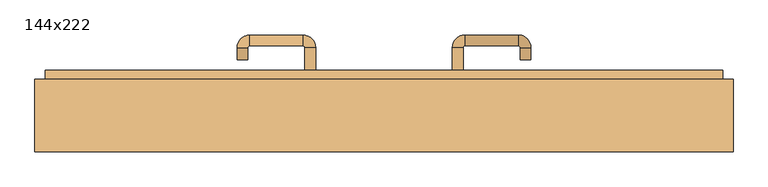
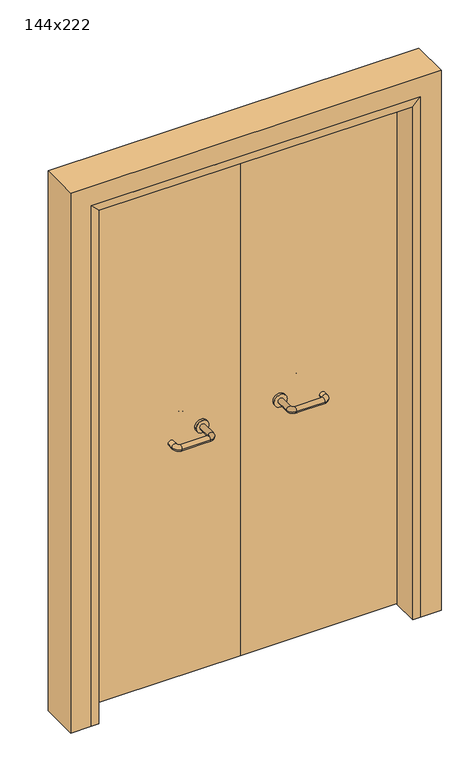
"""IFC4 building model written with IfcOpenShell, lengths in millimetres: door geometry, 144x222."""

from ifc_helpers import new_model, si_unit, point, frame, frame_2d, origin, place, context, project, spatial, polyline, circle_curve, ellipse_curve, trimmed, segment, composite_curve, outline, extrude, faceted_brep, source, transform, mapped, element, save
from ifc_brep_helpers import plane_surface, cylinder_surface, revolved_surface, advanced_brep


def door_144x222_6377ff8e(model_context):
    return source(origin(), model_context, "Body", "SolidModel", [
        faceted_brep([(-610.0, 118.0, 0.0), (-610.0, 15.0, 0.0), (-640.0, 15.0, 0.0), (-640.0, 118.0, 0.0), (-610.0, 118.0, 2110.0), (-610.0, 15.0, 2110.0), (-640.0, 15.0, 2140.0), (-640.0, 118.0, 2140.0), (610.0, 118.0, 0.0), (640.0, 118.0, 0.0), (640.0, 15.0, 0.0), (610.0, 15.0, 0.0), (610.0, 118.0, 2110.0), (640.0, 118.0, 2140.0), (640.0, 15.0, 2140.0), (610.0, 15.0, 2110.0)], [[[0, 1, 2, 3]], [[1, 0, 4, 5]], [[2, 1, 5, 6]], [[3, 2, 6, 7]], [[0, 3, 7, 4]], [[8, 9, 10, 11]], [[12, 13, 9, 8]], [[13, 14, 10, 9]], [[14, 15, 11, 10]], [[15, 12, 8, 11]], [[5, 4, 12, 15]], [[6, 5, 15, 14]], [[7, 6, 14, 13]], [[4, 7, 13, 12]]]),
        extrude(outline(polyline([(2199.0, 699.0), (2199.0, -699.0), (0.0, -699.0), (0.0, -655.0), (2155.0, -655.0), (2155.0, 655.0), (0.0, 655.0), (0.0, 699.0), (2199.0, 699.0)])), frame((0.0, 165.0, 0.0), z_axis=(0.0, 1.0, 0.0), x_axis=(0.0, 0.0, 1.0)), (0.0, 0.0, 1.0), 18.0),
        extrude(outline(polyline([(2220.0, -720.0), (0.0, -720.0), (0.0, -640.0), (2140.0, -640.0), (2140.0, 640.0), (0.0, 640.0), (0.0, 720.0), (2220.0, 720.0), (2220.0, -720.0)])), frame((0.0, 15.0, 0.0), z_axis=(0.0, 1.0, 0.0), x_axis=(0.0, 0.0, 1.0)), (0.0, 0.0, 1.0), 150.0),
        advanced_brep(
        [(140.99898, 111.0, 1003.0), (162.99898, 111.0, 1003.0), (140.99898, 55.6474631, 1003.0), (162.99898, 55.6474631, 1003.0), (166.99898, 51.6474631, 1003.0), (166.99898, 29.6474631, 1003.0), (276.99898, 29.6474631, 1003.0), (276.99898, 51.6474631, 1003.0), (280.99898, 55.6474631, 1003.0), (302.99898, 55.6474631, 1003.0), (302.99898, 73.0, 1003.0), (280.99898, 73.0, 1003.0)],
        [
            (0, 1, circle_curve(frame((151.99898, 111.0, 1003.0), z_axis=(0.0, 1.0, 0.0), x_axis=(1.0, 0.0, 0.0)), 11.0)),
            (1, 0, circle_curve(frame((151.99898, 111.0, 1003.0), z_axis=(0.0, 1.0, 0.0), x_axis=(1.0, 0.0, 0.0)), 11.0)),
            (0, 2),
            (2, 3, circle_curve(frame((151.99898, 55.6474631, 1003.0), z_axis=(0.0, 1.0, 0.0), x_axis=(1.0, 0.0, 0.0)), 11.0)),
            (3, 1),
            (3, 2, circle_curve(frame((151.99898, 55.6474631, 1003.0), z_axis=(0.0, 1.0, 0.0), x_axis=(1.0, 0.0, 0.0)), 11.0)),
            (4, 3, circle_curve(frame((166.99898, 55.6474631, 1003.0), z_axis=(0.0, 0.0, -1.0), x_axis=(-1.0, 0.0, 0.0)), 4.0)),
            (2, 5, circle_curve(frame((166.99898, 55.6474631, 1003.0), z_axis=(0.0, 0.0, 1.0), x_axis=(-1.0, 0.0, 0.0)), 26.0)),
            (5, 4, circle_curve(frame((166.99898, 40.6474631, 1003.0), z_axis=(-1.0, 0.0, 0.0), x_axis=(0.0, 1.0, 0.0)), 11.0)),
            (4, 5, circle_curve(frame((166.99898, 40.6474631, 1003.0), z_axis=(-1.0, 0.0, 0.0), x_axis=(0.0, 1.0, 0.0)), 11.0)),
            (5, 6),
            (6, 7, circle_curve(frame((276.99898, 40.6474631, 1003.0), z_axis=(-1.0, 0.0, 0.0), x_axis=(0.0, 1.0, 0.0)), 11.0)),
            (7, 4),
            (7, 6, circle_curve(frame((276.99898, 40.6474631, 1003.0), z_axis=(-1.0, 0.0, 0.0), x_axis=(0.0, 1.0, 0.0)), 11.0)),
            (8, 7, circle_curve(frame((276.99898, 55.6474631, 1003.0), z_axis=(0.0, 0.0, -1.0), x_axis=(0.0, -1.0, 0.0)), 4.0)),
            (6, 9, circle_curve(frame((276.99898, 55.6474631, 1003.0), z_axis=(0.0, 0.0, 1.0), x_axis=(0.0, -1.0, 0.0)), 26.0)),
            (9, 8, circle_curve(frame((291.99898, 55.6474631, 1003.0), z_axis=(0.0, -1.0, 0.0), x_axis=(-1.0, 0.0, 0.0)), 11.0)),
            (8, 9, circle_curve(frame((291.99898, 55.6474631, 1003.0), z_axis=(0.0, -1.0, 0.0), x_axis=(-1.0, 0.0, 0.0)), 11.0)),
            (10, 11, circle_curve(frame((291.99898, 73.0, 1003.0), z_axis=(0.0, 1.0, 0.0), x_axis=(-1.0, 0.0, 0.0)), 11.0)),
            (11, 10, circle_curve(frame((291.99898, 73.0, 1003.0), z_axis=(0.0, 1.0, 0.0), x_axis=(-1.0, 0.0, 0.0)), 11.0)),
            (9, 10),
            (11, 8),
        ],
        [
            plane_surface(frame((140.99898, 111.0, 1003.0), z_axis=(0.0, 1.0, 0.0), x_axis=(0.0, 0.0, -1.0))),
            cylinder_surface(frame((151.99898, 111.0, 1003.0), z_axis=(0.0, 1.0, 0.0), x_axis=(1.0, 0.0, 0.0)), 11.0),
            revolved_surface(trimmed(ellipse_curve(frame((151.99898, 55.6474631, 1003.0), z_axis=(0.0, 1.0, 0.0), x_axis=(1.0, 0.0, 0.0)), 11.0, 11.0), [point((140.99898, 55.6474631, 1003.0))], [point((162.99898, 55.6474631, 1003.0))], True, "CARTESIAN"), (166.99898, 55.6474631, 1003.0), (0.0, 0.0, 1.0)),
            revolved_surface(trimmed(ellipse_curve(frame((151.99898, 55.6474631, 1003.0), z_axis=(0.0, 1.0, 0.0), x_axis=(1.0, 0.0, 0.0)), 11.0, 11.0), [point((162.99898, 55.6474631, 1003.0))], [point((140.99898, 55.6474631, 1003.0))], True, "CARTESIAN"), (166.99898, 55.6474631, 1003.0), (0.0, 0.0, 1.0)),
            cylinder_surface(frame((166.99898, 40.6474631, 1003.0), z_axis=(-1.0, 0.0, 0.0), x_axis=(0.0, 1.0, 0.0)), 11.0),
            revolved_surface(trimmed(ellipse_curve(frame((276.99898, 40.6474631, 1003.0), z_axis=(-1.0, 0.0, 0.0), x_axis=(0.0, 1.0, 0.0)), 11.0, 11.0), [point((276.99898, 29.6474631, 1003.0))], [point((276.99898, 51.6474631, 1003.0))], True, "CARTESIAN"), (276.99898, 55.6474631, 1003.0), (0.0, 0.0, 1.0)),
            revolved_surface(trimmed(ellipse_curve(frame((276.99898, 40.6474631, 1003.0), z_axis=(-1.0, 0.0, 0.0), x_axis=(0.0, 1.0, 0.0)), 11.0, 11.0), [point((276.99898, 51.6474631, 1003.0))], [point((276.99898, 29.6474631, 1003.0))], True, "CARTESIAN"), (276.99898, 55.6474631, 1003.0), (0.0, 0.0, 1.0)),
            plane_surface(frame((280.99898, 73.0, 1003.0), z_axis=(0.0, 1.0, 0.0), x_axis=(0.0, 0.0, 1.0))),
            cylinder_surface(frame((291.99898, 55.6474631, 1003.0), z_axis=(0.0, -1.0, 0.0), x_axis=(-1.0, 0.0, 0.0)), 11.0),
        ],
        [
            (0, [[1, 2]]),
            (1, [[-1, 3, 4, 5]]),
            (1, [[-2, -5, 6, -3]]),
            (2, [[7, -4, 8, 9]]),
            (3, [[-8, -6, -7, 10]]),
            (4, [[-9, 11, 12, 13]]),
            (4, [[-10, -13, 14, -11]]),
            (5, [[15, -12, 16, 17]]),
            (6, [[-16, -14, -15, 18]]),
            (7, [[19, 20]]),
            (8, [[-17, 21, -20, 22]]),
            (8, [[-18, -22, -19, -21]]),
        ],
    ),
        extrude(outline(composite_curve([segment(trimmed(circle_curve(frame_2d((1003.0, 151.99898)), 25.0), [point((1003.0, 126.99898))], [point((1003.0, 176.99898))], False, "CARTESIAN"), True, "CONTINUOUS"), segment(trimmed(circle_curve(frame_2d((1003.0, 151.99898)), 25.0), [point((1003.0, 176.99898))], [point((1003.0, 126.99898))], False, "CARTESIAN"), True, "CONTINUOUS")], self_intersect=False)), frame((0.0, 111.0, 0.0), z_axis=(0.0, 1.0, 0.0), x_axis=(0.0, 0.0, 1.0)), (0.0, 0.0, 1.0), 10.0),
        advanced_brep(
        [(162.99898, 175.0, 1003.0), (140.99898, 175.0, 1003.0), (162.99898, 230.0, 1003.0), (140.99898, 230.0, 1003.0), (166.99898, 256.0, 1003.0), (166.99898, 234.0, 1003.0), (276.99898, 234.0, 1003.0), (276.99898, 256.0, 1003.0), (302.99898, 230.0, 1003.0), (280.99898, 230.0, 1003.0), (280.99898, 205.0, 1003.0), (302.99898, 205.0, 1003.0)],
        [
            (0, 1, circle_curve(frame((151.99898, 175.0, 1003.0), z_axis=(0.0, -1.0, 0.0), x_axis=(-1.0, 0.0, 0.0)), 11.0)),
            (1, 0, circle_curve(frame((151.99898, 175.0, 1003.0), z_axis=(0.0, -1.0, 0.0), x_axis=(-1.0, 0.0, 0.0)), 11.0)),
            (0, 2),
            (2, 3, circle_curve(frame((151.99898, 230.0, 1003.0), z_axis=(0.0, -1.0, 0.0), x_axis=(-1.0, 0.0, 0.0)), 11.0)),
            (3, 1),
            (3, 2, circle_curve(frame((151.99898, 230.0, 1003.0), z_axis=(0.0, -1.0, 0.0), x_axis=(-1.0, 0.0, 0.0)), 11.0)),
            (4, 3, circle_curve(frame((166.99898, 230.0, 1003.0), z_axis=(0.0, 0.0, 1.0), x_axis=(-1.0, 0.0, 0.0)), 26.0)),
            (2, 5, circle_curve(frame((166.99898, 230.0, 1003.0), z_axis=(0.0, 0.0, -1.0), x_axis=(-1.0, 0.0, 0.0)), 4.0)),
            (5, 4, circle_curve(frame((166.99898, 245.0, 1003.0), z_axis=(-1.0, 0.0, 0.0), x_axis=(0.0, 1.0, 0.0)), 11.0)),
            (4, 5, circle_curve(frame((166.99898, 245.0, 1003.0), z_axis=(-1.0, 0.0, 0.0), x_axis=(0.0, 1.0, 0.0)), 11.0)),
            (5, 6),
            (6, 7, circle_curve(frame((276.99898, 245.0, 1003.0), z_axis=(-1.0, 0.0, 0.0), x_axis=(0.0, 1.0, 0.0)), 11.0)),
            (7, 4),
            (7, 6, circle_curve(frame((276.99898, 245.0, 1003.0), z_axis=(-1.0, 0.0, 0.0), x_axis=(0.0, 1.0, 0.0)), 11.0)),
            (8, 7, circle_curve(frame((276.99898, 230.0, 1003.0), z_axis=(0.0, 0.0, 1.0), x_axis=(0.0, 1.0, 0.0)), 26.0)),
            (6, 9, circle_curve(frame((276.99898, 230.0, 1003.0), z_axis=(0.0, 0.0, -1.0), x_axis=(0.0, 1.0, 0.0)), 4.0)),
            (9, 8, circle_curve(frame((291.99898, 230.0, 1003.0), z_axis=(0.0, 1.0, 0.0), x_axis=(1.0, 0.0, 0.0)), 11.0)),
            (8, 9, circle_curve(frame((291.99898, 230.0, 1003.0), z_axis=(0.0, 1.0, 0.0), x_axis=(1.0, 0.0, 0.0)), 11.0)),
            (10, 11, circle_curve(frame((291.99898, 205.0, 1003.0), z_axis=(0.0, -1.0, 0.0), x_axis=(1.0, 0.0, 0.0)), 11.0)),
            (11, 10, circle_curve(frame((291.99898, 205.0, 1003.0), z_axis=(0.0, -1.0, 0.0), x_axis=(1.0, 0.0, 0.0)), 11.0)),
            (9, 10),
            (11, 8),
        ],
        [
            plane_surface(frame((140.99898, 175.0, 1003.0), z_axis=(0.0, -1.0, 0.0), x_axis=(0.0, 0.0, 1.0))),
            cylinder_surface(frame((151.99898, 175.0, 1003.0), z_axis=(0.0, -1.0, 0.0), x_axis=(-1.0, 0.0, 0.0)), 11.0),
            revolved_surface(trimmed(ellipse_curve(frame((151.99898, 230.0, 1003.0), z_axis=(0.0, -1.0, 0.0), x_axis=(-1.0, 0.0, 0.0)), 11.0, 11.0), [point((162.99898, 230.0, 1003.0))], [point((140.99898, 230.0, 1003.0))], True, "CARTESIAN"), (166.99898, 230.0, 1003.0), (0.0, 0.0, -1.0)),
            revolved_surface(trimmed(ellipse_curve(frame((151.99898, 230.0, 1003.0), z_axis=(0.0, -1.0, 0.0), x_axis=(-1.0, 0.0, 0.0)), 11.0, 11.0), [point((140.99898, 230.0, 1003.0))], [point((162.99898, 230.0, 1003.0))], True, "CARTESIAN"), (166.99898, 230.0, 1003.0), (0.0, 0.0, -1.0)),
            cylinder_surface(frame((166.99898, 245.0, 1003.0), z_axis=(-1.0, 0.0, 0.0), x_axis=(0.0, 1.0, 0.0)), 11.0),
            revolved_surface(trimmed(ellipse_curve(frame((276.99898, 245.0, 1003.0), z_axis=(-1.0, 0.0, 0.0), x_axis=(0.0, 1.0, 0.0)), 11.0, 11.0), [point((276.99898, 234.0, 1003.0))], [point((276.99898, 256.0, 1003.0))], True, "CARTESIAN"), (276.99898, 230.0, 1003.0), (0.0, 0.0, -1.0)),
            revolved_surface(trimmed(ellipse_curve(frame((276.99898, 245.0, 1003.0), z_axis=(-1.0, 0.0, 0.0), x_axis=(0.0, 1.0, 0.0)), 11.0, 11.0), [point((276.99898, 256.0, 1003.0))], [point((276.99898, 234.0, 1003.0))], True, "CARTESIAN"), (276.99898, 230.0, 1003.0), (0.0, 0.0, -1.0)),
            plane_surface(frame((280.99898, 205.0, 1003.0), z_axis=(0.0, -1.0, 0.0), x_axis=(0.0, 0.0, -1.0))),
            cylinder_surface(frame((291.99898, 230.0, 1003.0), z_axis=(0.0, 1.0, 0.0), x_axis=(1.0, 0.0, 0.0)), 11.0),
        ],
        [
            (0, [[1, 2]]),
            (1, [[-1, 3, 4, 5]]),
            (1, [[-2, -5, 6, -3]]),
            (2, [[7, -4, 8, 9]]),
            (3, [[-8, -6, -7, 10]]),
            (4, [[-9, 11, 12, 13]]),
            (4, [[-10, -13, 14, -11]]),
            (5, [[15, -12, 16, 17]]),
            (6, [[-16, -14, -15, 18]]),
            (7, [[19, 20]]),
            (8, [[-17, 21, -20, 22]]),
            (8, [[-18, -22, -19, -21]]),
        ],
    ),
        extrude(outline(composite_curve([segment(trimmed(circle_curve(frame_2d((1003.0, 151.99898)), 25.0), [point((1003.0, 176.99898))], [point((1003.0, 126.99898))], False, "CARTESIAN"), True, "CONTINUOUS"), segment(trimmed(circle_curve(frame_2d((1003.0, 151.99898)), 25.0), [point((1003.0, 126.99898))], [point((1003.0, 176.99898))], False, "CARTESIAN"), True, "CONTINUOUS")], self_intersect=False)), frame((0.0, 165.0, 0.0), z_axis=(0.0, 1.0, 0.0), x_axis=(0.0, 0.0, 1.0)), (0.0, 0.0, 1.0), 10.0),
        advanced_brep(
        [(-162.99898, 110.6886121, 1003.0), (-140.99898, 110.6886121, 1003.0), (-162.99898, 55.2779553, 1003.0), (-140.99898, 55.2779553, 1003.0), (-166.99898, 29.2779553, 1003.0), (-166.99898, 51.2779553, 1003.0), (-276.99898, 51.2779553, 1003.0), (-276.99898, 29.2779553, 1003.0), (-302.99898, 55.2779553, 1003.0), (-280.99898, 55.2779553, 1003.0), (-280.99898, 80.2779553, 1003.0), (-302.99898, 80.2779553, 1003.0)],
        [
            (0, 1, circle_curve(frame((-151.99898, 110.6886121, 1003.0), z_axis=(0.0, 1.0, 0.0), x_axis=(1.0, 0.0, 0.0)), 11.0)),
            (1, 0, circle_curve(frame((-151.99898, 110.6886121, 1003.0), z_axis=(0.0, 1.0, 0.0), x_axis=(1.0, 0.0, 0.0)), 11.0)),
            (0, 2),
            (2, 3, circle_curve(frame((-151.99898, 55.2779553, 1003.0), z_axis=(0.0, 1.0, 0.0), x_axis=(1.0, 0.0, 0.0)), 11.0)),
            (3, 1),
            (3, 2, circle_curve(frame((-151.99898, 55.2779553, 1003.0), z_axis=(0.0, 1.0, 0.0), x_axis=(1.0, 0.0, 0.0)), 11.0)),
            (4, 3, circle_curve(frame((-166.99898, 55.2779553, 1003.0), z_axis=(0.0, 0.0, 1.0), x_axis=(1.0, 0.0, 0.0)), 26.0)),
            (2, 5, circle_curve(frame((-166.99898, 55.2779553, 1003.0), z_axis=(0.0, 0.0, -1.0), x_axis=(1.0, 0.0, 0.0)), 4.0)),
            (5, 4, circle_curve(frame((-166.99898, 40.2779553, 1003.0), z_axis=(1.0, 0.0, 0.0), x_axis=(0.0, -1.0, 0.0)), 11.0)),
            (4, 5, circle_curve(frame((-166.99898, 40.2779553, 1003.0), z_axis=(1.0, 0.0, 0.0), x_axis=(0.0, -1.0, 0.0)), 11.0)),
            (5, 6),
            (6, 7, circle_curve(frame((-276.99898, 40.2779553, 1003.0), z_axis=(1.0, 0.0, 0.0), x_axis=(0.0, -1.0, 0.0)), 11.0)),
            (7, 4),
            (7, 6, circle_curve(frame((-276.99898, 40.2779553, 1003.0), z_axis=(1.0, 0.0, 0.0), x_axis=(0.0, -1.0, 0.0)), 11.0)),
            (8, 7, circle_curve(frame((-276.99898, 55.2779553, 1003.0), z_axis=(0.0, 0.0, 1.0), x_axis=(0.0, -1.0, 0.0)), 26.0)),
            (6, 9, circle_curve(frame((-276.99898, 55.2779553, 1003.0), z_axis=(0.0, 0.0, -1.0), x_axis=(0.0, -1.0, 0.0)), 4.0)),
            (9, 8, circle_curve(frame((-291.99898, 55.2779553, 1003.0), z_axis=(0.0, -1.0, 0.0), x_axis=(-1.0, 0.0, 0.0)), 11.0)),
            (8, 9, circle_curve(frame((-291.99898, 55.2779553, 1003.0), z_axis=(0.0, -1.0, 0.0), x_axis=(-1.0, 0.0, 0.0)), 11.0)),
            (10, 11, circle_curve(frame((-291.99898, 80.2779553, 1003.0), z_axis=(0.0, 1.0, 0.0), x_axis=(-1.0, 0.0, 0.0)), 11.0)),
            (11, 10, circle_curve(frame((-291.99898, 80.2779553, 1003.0), z_axis=(0.0, 1.0, 0.0), x_axis=(-1.0, 0.0, 0.0)), 11.0)),
            (9, 10),
            (11, 8),
        ],
        [
            plane_surface(frame((-162.99898, 110.6886121, 1003.0), z_axis=(0.0, 1.0, 0.0), x_axis=(0.0, 0.0, -1.0))),
            cylinder_surface(frame((-151.99898, 110.6886121, 1003.0), z_axis=(0.0, 1.0, 0.0), x_axis=(1.0, 0.0, 0.0)), 11.0),
            revolved_surface(trimmed(ellipse_curve(frame((-151.99898, 55.2779553, 1003.0), z_axis=(0.0, 1.0, 0.0), x_axis=(1.0, 0.0, 0.0)), 11.0, 11.0), [point((-162.99898, 55.2779553, 1003.0))], [point((-140.99898, 55.2779553, 1003.0))], True, "CARTESIAN"), (-166.99898, 55.2779553, 1003.0), (0.0, 0.0, -1.0)),
            revolved_surface(trimmed(ellipse_curve(frame((-151.99898, 55.2779553, 1003.0), z_axis=(0.0, 1.0, 0.0), x_axis=(1.0, 0.0, 0.0)), 11.0, 11.0), [point((-140.99898, 55.2779553, 1003.0))], [point((-162.99898, 55.2779553, 1003.0))], True, "CARTESIAN"), (-166.99898, 55.2779553, 1003.0), (0.0, 0.0, -1.0)),
            cylinder_surface(frame((-166.99898, 40.2779553, 1003.0), z_axis=(1.0, 0.0, 0.0), x_axis=(0.0, -1.0, 0.0)), 11.0),
            revolved_surface(trimmed(ellipse_curve(frame((-276.99898, 40.2779553, 1003.0), z_axis=(1.0, 0.0, 0.0), x_axis=(0.0, -1.0, 0.0)), 11.0, 11.0), [point((-276.99898, 51.2779553, 1003.0))], [point((-276.99898, 29.2779553, 1003.0))], True, "CARTESIAN"), (-276.99898, 55.2779553, 1003.0), (0.0, 0.0, -1.0)),
            revolved_surface(trimmed(ellipse_curve(frame((-276.99898, 40.2779553, 1003.0), z_axis=(1.0, 0.0, 0.0), x_axis=(0.0, -1.0, 0.0)), 11.0, 11.0), [point((-276.99898, 29.2779553, 1003.0))], [point((-276.99898, 51.2779553, 1003.0))], True, "CARTESIAN"), (-276.99898, 55.2779553, 1003.0), (0.0, 0.0, -1.0)),
            plane_surface(frame((-302.99898, 80.2779553, 1003.0), z_axis=(0.0, 1.0, 0.0), x_axis=(0.0, 0.0, 1.0))),
            cylinder_surface(frame((-291.99898, 55.2779553, 1003.0), z_axis=(0.0, -1.0, 0.0), x_axis=(-1.0, 0.0, 0.0)), 11.0),
        ],
        [
            (0, [[1, 2]]),
            (1, [[-1, 3, 4, 5]]),
            (1, [[-2, -5, 6, -3]]),
            (2, [[7, -4, 8, 9]]),
            (3, [[-8, -6, -7, 10]]),
            (4, [[-9, 11, 12, 13]]),
            (4, [[-10, -13, 14, -11]]),
            (5, [[15, -12, 16, 17]]),
            (6, [[-16, -14, -15, 18]]),
            (7, [[19, 20]]),
            (8, [[-17, 21, -20, 22]]),
            (8, [[-18, -22, -19, -21]]),
        ],
    ),
        extrude(outline(composite_curve([segment(trimmed(circle_curve(frame_2d((1003.0, -151.99898)), 25.0), [point((1003.0, -176.99898))], [point((1003.0, -126.99898))], False, "CARTESIAN"), True, "CONTINUOUS"), segment(trimmed(circle_curve(frame_2d((1003.0, -151.99898)), 25.0), [point((1003.0, -126.99898))], [point((1003.0, -176.99898))], False, "CARTESIAN"), True, "CONTINUOUS")], self_intersect=False)), frame((0.0, 110.6886121, 0.0), z_axis=(0.0, 1.0, 0.0), x_axis=(0.0, 0.0, 1.0)), (0.0, 0.0, 1.0), 10.3113879),
        advanced_brep(
        [(-140.99898, 174.5143417, 1003.0), (-162.99898, 174.5143417, 1003.0), (-140.99898, 229.6104656, 1003.0), (-162.99898, 229.6104656, 1003.0), (-166.99898, 233.6104656, 1003.0), (-166.99898, 255.6104656, 1003.0), (-276.99898, 255.6104656, 1003.0), (-276.99898, 233.6104656, 1003.0), (-280.99898, 229.6104656, 1003.0), (-302.99898, 229.6104656, 1003.0), (-302.99898, 204.6104656, 1003.0), (-280.99898, 204.6104656, 1003.0)],
        [
            (0, 1, circle_curve(frame((-151.99898, 174.5143417, 1003.0), z_axis=(0.0, -1.0, 0.0), x_axis=(-1.0, 0.0, 0.0)), 11.0)),
            (1, 0, circle_curve(frame((-151.99898, 174.5143417, 1003.0), z_axis=(0.0, -1.0, 0.0), x_axis=(-1.0, 0.0, 0.0)), 11.0)),
            (0, 2),
            (2, 3, circle_curve(frame((-151.99898, 229.6104656, 1003.0), z_axis=(0.0, -1.0, 0.0), x_axis=(-1.0, 0.0, 0.0)), 11.0)),
            (3, 1),
            (3, 2, circle_curve(frame((-151.99898, 229.6104656, 1003.0), z_axis=(0.0, -1.0, 0.0), x_axis=(-1.0, 0.0, 0.0)), 11.0)),
            (4, 3, circle_curve(frame((-166.99898, 229.6104656, 1003.0), z_axis=(0.0, 0.0, -1.0), x_axis=(1.0, 0.0, 0.0)), 4.0)),
            (2, 5, circle_curve(frame((-166.99898, 229.6104656, 1003.0), z_axis=(0.0, 0.0, 1.0), x_axis=(1.0, 0.0, 0.0)), 26.0)),
            (5, 4, circle_curve(frame((-166.99898, 244.6104656, 1003.0), z_axis=(1.0, 0.0, 0.0), x_axis=(0.0, -1.0, 0.0)), 11.0)),
            (4, 5, circle_curve(frame((-166.99898, 244.6104656, 1003.0), z_axis=(1.0, 0.0, 0.0), x_axis=(0.0, -1.0, 0.0)), 11.0)),
            (5, 6),
            (6, 7, circle_curve(frame((-276.99898, 244.6104656, 1003.0), z_axis=(1.0, 0.0, 0.0), x_axis=(0.0, -1.0, 0.0)), 11.0)),
            (7, 4),
            (7, 6, circle_curve(frame((-276.99898, 244.6104656, 1003.0), z_axis=(1.0, 0.0, 0.0), x_axis=(0.0, -1.0, 0.0)), 11.0)),
            (8, 7, circle_curve(frame((-276.99898, 229.6104656, 1003.0), z_axis=(0.0, 0.0, -1.0), x_axis=(0.0, 1.0, 0.0)), 4.0)),
            (6, 9, circle_curve(frame((-276.99898, 229.6104656, 1003.0), z_axis=(0.0, 0.0, 1.0), x_axis=(0.0, 1.0, 0.0)), 26.0)),
            (9, 8, circle_curve(frame((-291.99898, 229.6104656, 1003.0), z_axis=(0.0, 1.0, 0.0), x_axis=(1.0, 0.0, 0.0)), 11.0)),
            (8, 9, circle_curve(frame((-291.99898, 229.6104656, 1003.0), z_axis=(0.0, 1.0, 0.0), x_axis=(1.0, 0.0, 0.0)), 11.0)),
            (10, 11, circle_curve(frame((-291.99898, 204.6104656, 1003.0), z_axis=(0.0, -1.0, 0.0), x_axis=(1.0, 0.0, 0.0)), 11.0)),
            (11, 10, circle_curve(frame((-291.99898, 204.6104656, 1003.0), z_axis=(0.0, -1.0, 0.0), x_axis=(1.0, 0.0, 0.0)), 11.0)),
            (9, 10),
            (11, 8),
        ],
        [
            plane_surface(frame((-162.99898, 174.5143417, 1003.0), z_axis=(0.0, -1.0, 0.0), x_axis=(0.0, 0.0, 1.0))),
            cylinder_surface(frame((-151.99898, 174.5143417, 1003.0), z_axis=(0.0, -1.0, 0.0), x_axis=(-1.0, 0.0, 0.0)), 11.0),
            revolved_surface(trimmed(ellipse_curve(frame((-151.99898, 229.6104656, 1003.0), z_axis=(0.0, -1.0, 0.0), x_axis=(-1.0, 0.0, 0.0)), 11.0, 11.0), [point((-140.99898, 229.6104656, 1003.0))], [point((-162.99898, 229.6104656, 1003.0))], True, "CARTESIAN"), (-166.99898, 229.6104656, 1003.0), (0.0, 0.0, 1.0)),
            revolved_surface(trimmed(ellipse_curve(frame((-151.99898, 229.6104656, 1003.0), z_axis=(0.0, -1.0, 0.0), x_axis=(-1.0, 0.0, 0.0)), 11.0, 11.0), [point((-162.99898, 229.6104656, 1003.0))], [point((-140.99898, 229.6104656, 1003.0))], True, "CARTESIAN"), (-166.99898, 229.6104656, 1003.0), (0.0, 0.0, 1.0)),
            cylinder_surface(frame((-166.99898, 244.6104656, 1003.0), z_axis=(1.0, 0.0, 0.0), x_axis=(0.0, -1.0, 0.0)), 11.0),
            revolved_surface(trimmed(ellipse_curve(frame((-276.99898, 244.6104656, 1003.0), z_axis=(1.0, 0.0, 0.0), x_axis=(0.0, -1.0, 0.0)), 11.0, 11.0), [point((-276.99898, 255.6104656, 1003.0))], [point((-276.99898, 233.6104656, 1003.0))], True, "CARTESIAN"), (-276.99898, 229.6104656, 1003.0), (0.0, 0.0, 1.0)),
            revolved_surface(trimmed(ellipse_curve(frame((-276.99898, 244.6104656, 1003.0), z_axis=(1.0, 0.0, 0.0), x_axis=(0.0, -1.0, 0.0)), 11.0, 11.0), [point((-276.99898, 233.6104656, 1003.0))], [point((-276.99898, 255.6104656, 1003.0))], True, "CARTESIAN"), (-276.99898, 229.6104656, 1003.0), (0.0, 0.0, 1.0)),
            plane_surface(frame((-302.99898, 204.6104656, 1003.0), z_axis=(0.0, -1.0, 0.0), x_axis=(0.0, 0.0, -1.0))),
            cylinder_surface(frame((-291.99898, 229.6104656, 1003.0), z_axis=(0.0, 1.0, 0.0), x_axis=(1.0, 0.0, 0.0)), 11.0),
        ],
        [
            (0, [[1, 2]]),
            (1, [[-1, 3, 4, 5]]),
            (1, [[-2, -5, 6, -3]]),
            (2, [[7, -4, 8, 9]]),
            (3, [[-8, -6, -7, 10]]),
            (4, [[-9, 11, 12, 13]]),
            (4, [[-10, -13, 14, -11]]),
            (5, [[15, -12, 16, 17]]),
            (6, [[-16, -14, -15, 18]]),
            (7, [[19, 20]]),
            (8, [[-17, 21, -20, 22]]),
            (8, [[-18, -22, -19, -21]]),
        ],
    ),
        extrude(outline(composite_curve([segment(trimmed(circle_curve(frame_2d((1003.0, -151.99898)), 25.0), [point((1003.0, -126.99898))], [point((1003.0, -176.99898))], False, "CARTESIAN"), True, "CONTINUOUS"), segment(trimmed(circle_curve(frame_2d((1003.0, -151.99898)), 25.0), [point((1003.0, -176.99898))], [point((1003.0, -126.99898))], False, "CARTESIAN"), True, "CONTINUOUS")], self_intersect=False)), frame((0.0, 165.0, 0.0), z_axis=(0.0, 1.0, 0.0), x_axis=(0.0, 0.0, 1.0)), (0.0, 0.0, 1.0), 9.5143417),
        extrude(outline(polyline([(1.0739506, 121.0), (-637.0, 121.0), (-637.0, 165.0), (1.0739506, 165.0), (1.0739506, 121.0)])), frame((0.0, 0.0, 1.753223), z_axis=(0.0, 0.0, 1.0), x_axis=(1.0, 0.0, 0.0)), (0.0, 0.0, 1.0), 2138.246777),
        extrude(outline(polyline([(637.0, 121.0), (1.0739506, 121.0), (1.0739506, 165.0), (637.0, 165.0), (637.0, 121.0)])), frame((0.0, 0.0, 1.753223), z_axis=(0.0, 0.0, 1.0), x_axis=(1.0, 0.0, 0.0)), (0.0, 0.0, 1.0), 2138.246777),
    ])


if __name__ == "__main__":
    model = new_model("IFC4")
    model_context = context("Model", 3, world=origin())
    ifc_project = project(units=[si_unit("LENGTHUNIT", "METRE", prefix="MILLI")], contexts=[model_context])
    site = spatial("IfcSite", under=ifc_project)
    building = spatial("IfcBuilding", under=site)
    placement = place(None, origin())
    door_144x222_shape = door_144x222_6377ff8e(model_context)
    element("IfcDoor", 1, ObjectType="144x222", at=placement, inside=building, context=model_context, shape_type="MappedRepresentation", body=[
        mapped(door_144x222_shape, transform((0.0, 0.0, 0.0), x_axis=(1.0, 0.0, 0.0), y_axis=(0.0, 1.0, 0.0), z_axis=(0.0, 0.0, 1.0))),
    ])
    save(model, "model.ifc")
